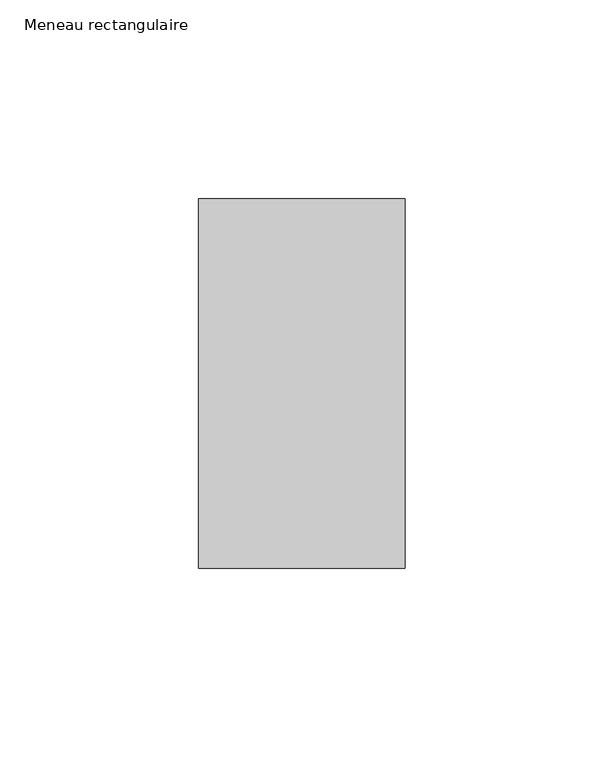
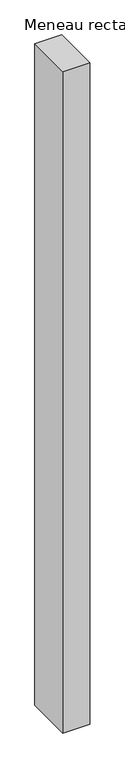
"""IFC4 building model written with IfcOpenShell, lengths in millimetres: member geometry, Meneau rectangulaire."""

from ifc_helpers import new_model, si_unit, frame, origin, place, context, project, spatial, polyline, outline, extrude, source, transform, mapped, element, save


def meneau_rectangulaire_cf024096(model_context):
    return source(origin(), model_context, "Body", "SweptSolid", [
        extrude(outline(polyline([(-52.0, 46.5), (0.0, 46.5), (0.0, -46.5), (-52.0, -46.5), (-52.0, 46.5)])), frame((0.0, 0.0, -1345.3333332), z_axis=(0.0, 0.0, 1.0), x_axis=(1.0, 0.0, 0.0)), (0.0, 0.0, 1.0), 1345.3333332),
    ])


if __name__ == "__main__":
    model = new_model("IFC4")
    model_context = context("Model", 3, world=origin())
    ifc_project = project(units=[si_unit("LENGTHUNIT", "METRE", prefix="MILLI")], contexts=[model_context])
    site = spatial("IfcSite", under=ifc_project)
    building = spatial("IfcBuilding", under=site)
    placement = place(None, origin())
    meneau_rectangulaire_shape = meneau_rectangulaire_cf024096(model_context)
    element("IfcMember", 1, ObjectType="Meneau rectangulaire", at=placement, inside=building, context=model_context, shape_type="MappedRepresentation", body=[
        mapped(meneau_rectangulaire_shape, transform((0.0, 0.0, 0.0), x_axis=(1.0, 0.0, 0.0), y_axis=(0.0, 1.0, 0.0), z_axis=(0.0, 0.0, 1.0))),
    ])
    save(model, "model.ifc")
